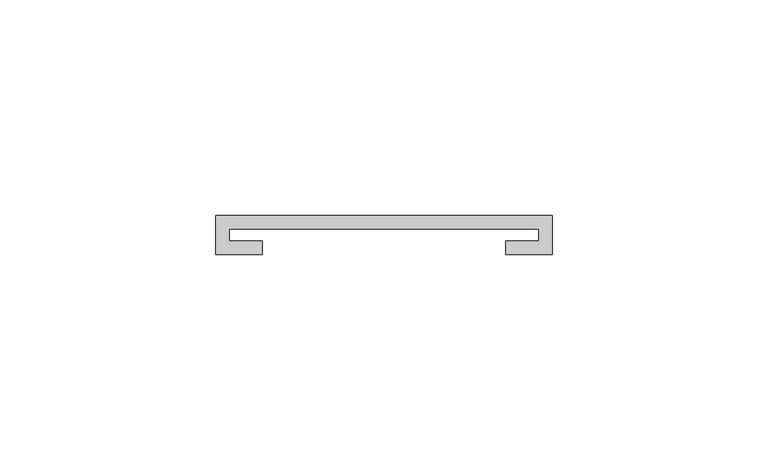
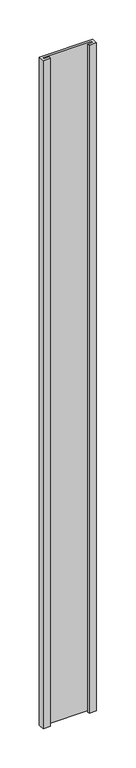
"""IFC4 building model written with IfcOpenShell, lengths in millimetres: furniture geometry."""

from ifc_helpers import new_model, si_unit, frame, origin, place, context, project, spatial, polyline, outline, extrude, source, transform, mapped, element, save


def furniture_b06b8649(model_context):
    return source(origin(), model_context, "Body", "SweptSolid", [
        extrude(outline(polyline([(-39.0921875, 29.9735875), (-39.0921875, 39.0921875), (39.0921875, 39.0921875), (39.0921875, 29.9735875), (28.2971875, 29.9735875), (28.2971875, 33.1485875), (35.9171875, 33.1485875), (35.9171875, 35.9171875), (-35.9171875, 35.9171875), (-35.9171875, 33.1485875), (-28.2971875, 33.1485875), (-28.2971875, 29.9735875), (-39.0921875, 29.9735875)])), frame((0.0, 0.0, 14.2875), z_axis=(0.0, 0.0, 1.0), x_axis=(1.0, 0.0, 0.0)), (0.0, 0.0, 1.0), 1034.4546875),
    ])


if __name__ == "__main__":
    model = new_model("IFC4")
    model_context = context("Model", 3, world=origin())
    ifc_project = project(units=[si_unit("LENGTHUNIT", "METRE", prefix="MILLI")], contexts=[model_context])
    site = spatial("IfcSite", under=ifc_project)
    building = spatial("IfcBuilding", under=site)
    placement = place(None, origin())
    furniture_shape = furniture_b06b8649(model_context)
    element("IfcFurniture", 1, at=placement, inside=building, context=model_context, shape_type="MappedRepresentation", body=[
        mapped(furniture_shape, transform((0.0, 0.0, 0.0), x_axis=(1.0, 0.0, 0.0), y_axis=(0.0, 1.0, 0.0), z_axis=(0.0, 0.0, 1.0))),
    ])
    save(model, "model.ifc")
